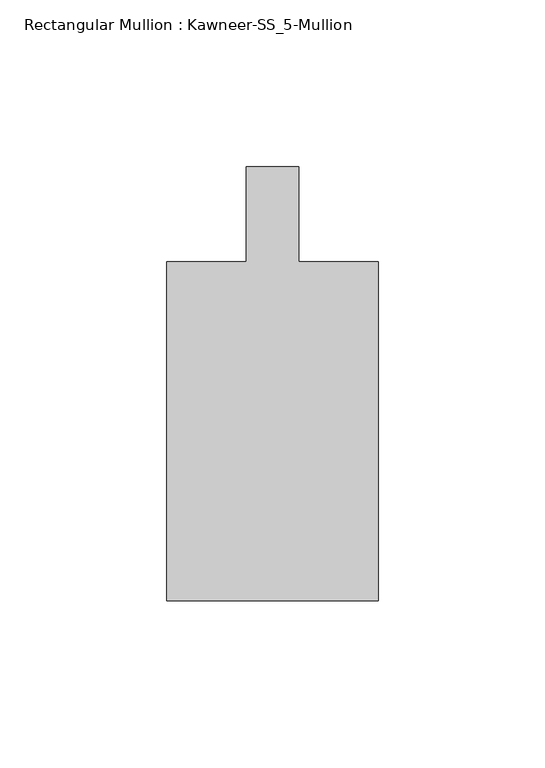
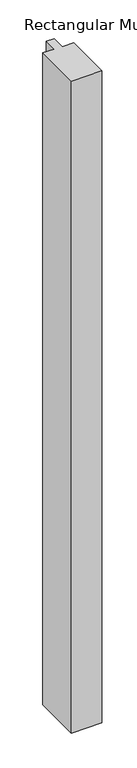
"""IFC4 building model written with IfcOpenShell, lengths in millimetres: member geometry, Rectangular Mullion : Kawneer-SS_5-Mullion."""

from ifc_helpers import new_model, si_unit, frame, origin, place, context, project, spatial, polyline, outline, extrude, source, transform, mapped, element, save


def rectangular_mullion_kawneer_ss_5_mullion_674ccbd5(model_context):
    return source(origin(), model_context, "Body", "SweptSolid", [
        extrude(outline(polyline([(-31.75, -115.8875), (-31.75, -14.2875), (-7.9375, -14.2875), (-7.9375, 14.2875), (7.9375, 14.2875), (7.9375, -14.2875), (31.75, -14.2875), (31.75, -115.8875), (-31.75, -115.8875)])), frame((0.0, 0.0, -1428.75), z_axis=(0.0, 0.0, 1.0), x_axis=(1.0, 0.0, 0.0)), (0.0, 0.0, 1.0), 1428.75),
    ])


if __name__ == "__main__":
    model = new_model("IFC4")
    model_context = context("Model", 3, world=origin())
    ifc_project = project(units=[si_unit("LENGTHUNIT", "METRE", prefix="MILLI")], contexts=[model_context])
    site = spatial("IfcSite", under=ifc_project)
    building = spatial("IfcBuilding", under=site)
    placement = place(None, origin())
    rectangular_mullion_kawneer_ss_5_mullion_shape = rectangular_mullion_kawneer_ss_5_mullion_674ccbd5(model_context)
    element("IfcMember", 1, ObjectType="Rectangular Mullion : Kawneer-SS_5-Mullion", at=placement, inside=building, context=model_context, shape_type="MappedRepresentation", body=[
        mapped(rectangular_mullion_kawneer_ss_5_mullion_shape, transform((0.0, 0.0, 0.0), x_axis=(1.0, 0.0, 0.0), y_axis=(0.0, 1.0, 0.0), z_axis=(0.0, 0.0, 1.0))),
    ])
    save(model, "model.ifc")
